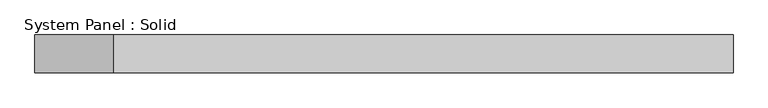
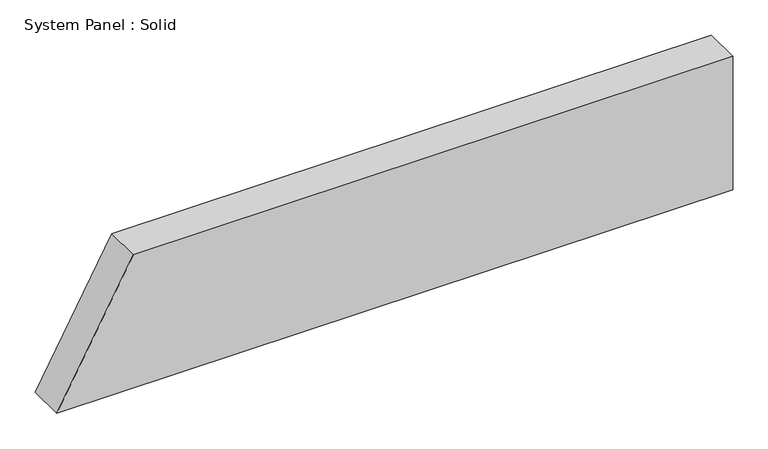
"""IFC4 building model written with IfcOpenShell, lengths in millimetres: plate geometry, System Panel : Solid."""

from ifc_helpers import new_model, si_unit, frame, origin, place, context, project, spatial, polyline, outline, extrude, source, transform, mapped, element, save


def system_panel_solid_d755b4d8(model_context):
    return source(origin(), model_context, "Body", "SweptSolid", [
        extrude(outline(polyline([(0.0, -552.543882), (0.0, 552.543882), (230.1077989, 552.543882), (230.1077989, -427.3930508), (0.0, -552.543882)])), frame((0.0, -10.5, 0.0), z_axis=(0.0, 1.0, 0.0), x_axis=(0.0, 0.0, 1.0)), (0.0, 0.0, 1.0), 60.0),
    ])


if __name__ == "__main__":
    model = new_model("IFC4")
    model_context = context("Model", 3, world=origin())
    ifc_project = project(units=[si_unit("LENGTHUNIT", "METRE", prefix="MILLI")], contexts=[model_context])
    site = spatial("IfcSite", under=ifc_project)
    building = spatial("IfcBuilding", under=site)
    placement = place(None, origin())
    system_panel_solid_shape = system_panel_solid_d755b4d8(model_context)
    element("IfcPlate", 1, ObjectType="System Panel : Solid", at=placement, inside=building, context=model_context, shape_type="MappedRepresentation", body=[
        mapped(system_panel_solid_shape, transform((0.0, 0.0, 0.0), x_axis=(1.0, 0.0, 0.0), y_axis=(0.0, 1.0, 0.0), z_axis=(0.0, 0.0, 1.0))),
    ])
    save(model, "model.ifc")
